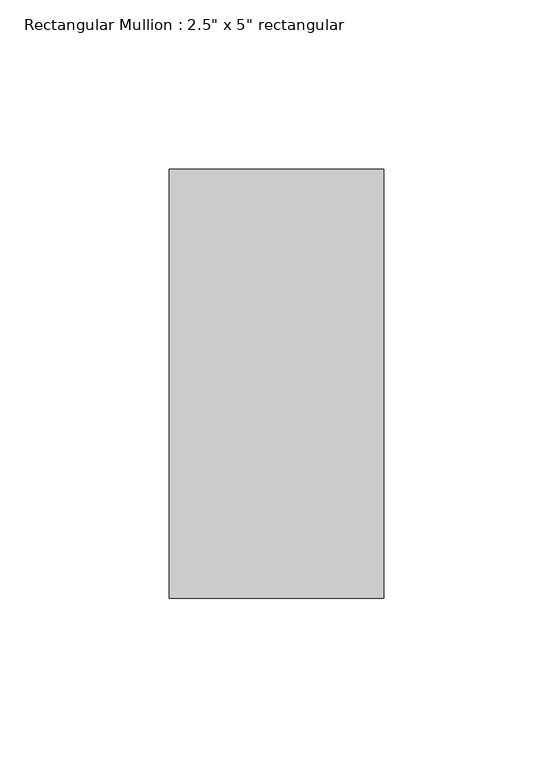
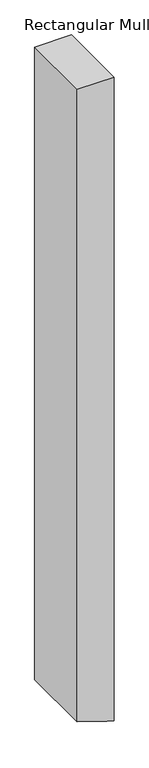
"""IFC4 building model written with IfcOpenShell, lengths in millimetres: member geometry."""

from ifc_helpers import new_model, si_unit, frame, origin, place, context, project, spatial, polyline, outline, extrude, source, transform, mapped, element, save


def member_def540cf(model_context):
    return source(origin(), model_context, "Body", "SweptSolid", [
        extrude(outline(polyline([(0.0, 31.75), (0.0, -31.75), (-1154.5029081, -31.75), (-1171.398277, 19.7828002), (-1175.3218025, 31.75), (0.0, 31.75)])), frame((0.0, -63.5, 0.0), z_axis=(0.0, 1.0, 0.0), x_axis=(0.0, 0.0, 1.0)), (0.0, 0.0, 1.0), 127.0),
    ])


if __name__ == "__main__":
    model = new_model("IFC4")
    model_context = context("Model", 3, world=origin())
    ifc_project = project(units=[si_unit("LENGTHUNIT", "METRE", prefix="MILLI")], contexts=[model_context])
    site = spatial("IfcSite", under=ifc_project)
    building = spatial("IfcBuilding", under=site)
    placement = place(None, origin())
    member_shape = member_def540cf(model_context)
    element("IfcMember", 1, ObjectType="Rectangular Mullion : 2.5\" x 5\" rectangular", at=placement, inside=building, context=model_context, shape_type="MappedRepresentation", body=[
        mapped(member_shape, transform((0.0, 0.0, 0.0), x_axis=(1.0, 0.0, 0.0), y_axis=(0.0, 1.0, 0.0), z_axis=(0.0, 0.0, 1.0))),
    ])
    save(model, "model.ifc")
